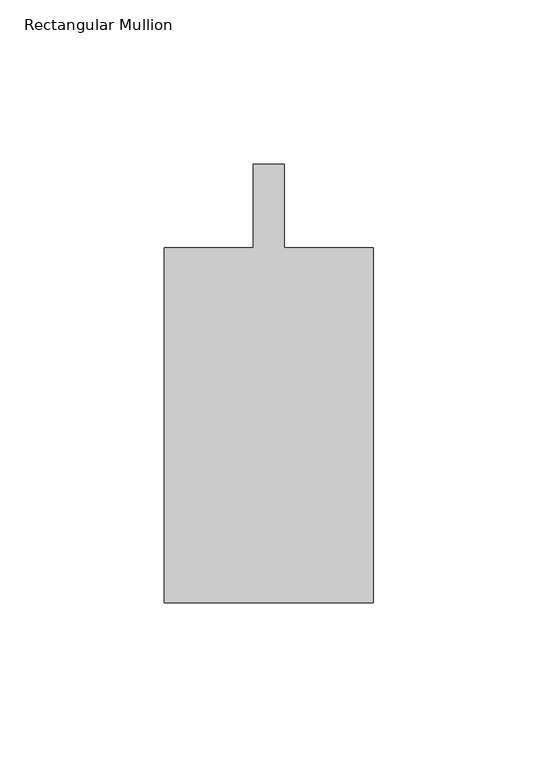
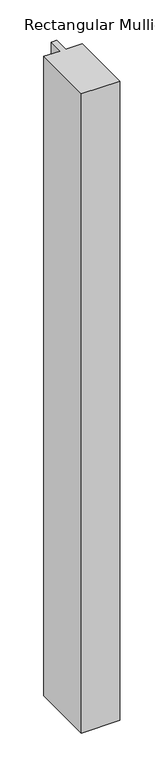
"""IFC4 building model written with IfcOpenShell, lengths in millimetres: member geometry, Rectangular Mullion."""

from ifc_helpers import new_model, si_unit, frame, origin, place, context, project, spatial, polyline, outline, extrude, source, transform, mapped, element, save


def rectangular_mullion_2ee0c8bb(model_context):
    return source(origin(), model_context, "Body", "SweptSolid", [
        extrude(outline(polyline([(-4.7625, -12.7), (-4.7625, 12.7), (4.7625, 12.7), (4.7625, -12.7), (31.75, -12.7), (31.75, -120.65), (-31.75, -120.65), (-31.75, -12.7), (-4.7625, -12.7)])), frame((0.0, 0.0, -1117.6), z_axis=(0.0, 0.0, 1.0), x_axis=(1.0, 0.0, 0.0)), (0.0, 0.0, 1.0), 1117.6),
    ])


if __name__ == "__main__":
    model = new_model("IFC4")
    model_context = context("Model", 3, world=origin())
    ifc_project = project(units=[si_unit("LENGTHUNIT", "METRE", prefix="MILLI")], contexts=[model_context])
    site = spatial("IfcSite", under=ifc_project)
    building = spatial("IfcBuilding", under=site)
    placement = place(None, origin())
    rectangular_mullion_shape = rectangular_mullion_2ee0c8bb(model_context)
    element("IfcMember", 1, ObjectType="Rectangular Mullion", at=placement, inside=building, context=model_context, shape_type="MappedRepresentation", body=[
        mapped(rectangular_mullion_shape, transform((0.0, 0.0, 0.0), x_axis=(1.0, 0.0, 0.0), y_axis=(0.0, 1.0, 0.0), z_axis=(0.0, 0.0, 1.0))),
    ])
    save(model, "model.ifc")
